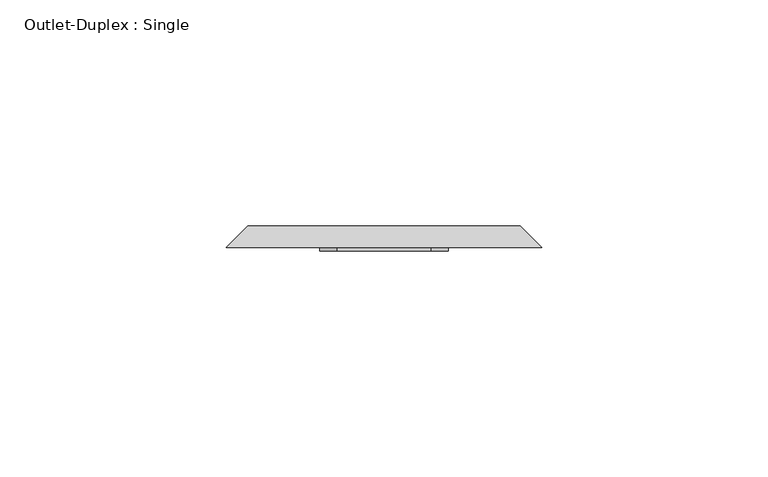
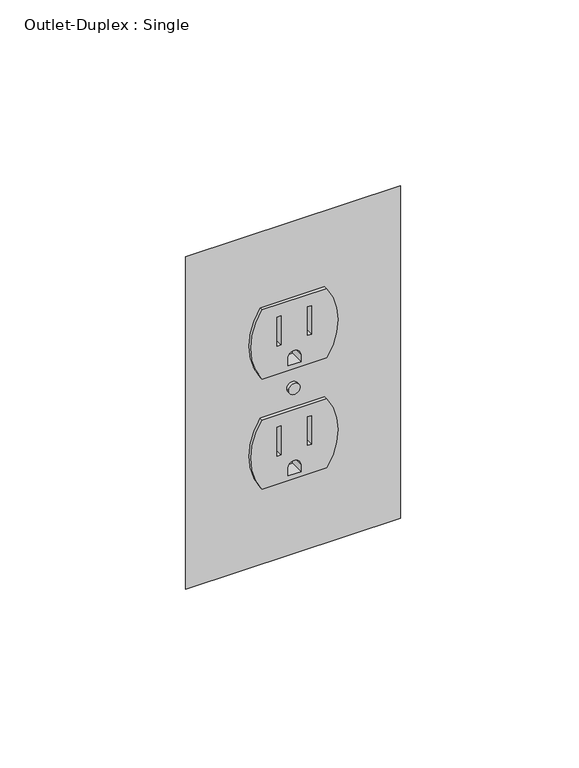
"""IFC4 building model written with IfcOpenShell, lengths in millimetres: proxy geometry, Outlet-Duplex : Single."""

from ifc_helpers import new_model, si_unit, point, frame, frame_2d, origin, place, context, project, spatial, polyline, circle_curve, trimmed, segment, composite_curve, outline, extrude, source, transform, mapped, element, save
from ifc_brep_helpers import plane_surface, revolved_surface, advanced_brep


def outlet_duplex_single_28bb0d87(model_context):
    return source(origin(), model_context, "Body", "SolidModel", [
        extrude(outline(composite_curve([segment(polyline([(273.9614857, -10.4931617), (273.9614857, 10.4931617)]), True, "CONTINUOUS"), segment(trimmed(circle_curve(frame_2d((285.8677357, -6.8576098)), 21.043005), [point((273.9614857, 10.4931617))], [point((297.7739857, 10.4931617))], False, "CARTESIAN"), True, "CONTINUOUS"), segment(polyline([(297.7739857, 10.4931617), (297.7739857, -10.4931617)]), True, "CONTINUOUS"), segment(trimmed(circle_curve(frame_2d((285.8677357, 6.8576098)), 21.043005), [point((297.7739857, -10.4931617))], [point((273.9614857, -10.4931617))], False, "CARTESIAN"), True, "CONTINUOUS")], self_intersect=False), holes=[polyline([(283.8450983, 5.6261139), (283.8450983, 4.3502847), (293.6358342, 4.3502847), (293.6358342, 5.6261139), (283.8450983, 5.6261139)]), polyline([(283.6466608, -5.6261139), (293.6358342, -5.6261139), (293.6358342, -4.3502847), (283.6466608, -4.3502847), (283.6466608, -5.6261139)]), composite_curve([segment(polyline([(275.5679027, 2.0747584), (275.5679027, -2.0747584), (278.0820784, -2.0747584)]), True, "CONTINUOUS"), segment(trimmed(circle_curve(frame_2d((278.0820784, 0.0)), 2.0747584), [point((278.0820784, -2.0747584))], [point((278.0820784, 2.0747584))], True, "CARTESIAN"), True, "CONTINUOUS"), segment(polyline([(278.0820784, 2.0747584), (275.5679027, 2.0747584)]), True, "CONTINUOUS")], self_intersect=False)]), frame((0.0, 48.4143591, 0.0), z_axis=(0.0, 1.0, 0.0), x_axis=(0.0, 0.0, 1.0)), (0.0, 0.0, 1.0), 4.7441942),
        extrude(outline(composite_curve([segment(trimmed(circle_curve(frame_2d((323.7322643, 6.8576098)), 21.043005), [point((335.6385143, -10.4931617))], [point((311.8260143, -10.4931617))], False, "CARTESIAN"), True, "CONTINUOUS"), segment(polyline([(311.8260143, -10.4931617), (311.8260143, 10.4931617)]), True, "CONTINUOUS"), segment(trimmed(circle_curve(frame_2d((323.7322643, -6.8576098)), 21.043005), [point((311.8260143, 10.4931617))], [point((335.6385143, 10.4931617))], False, "CARTESIAN"), True, "CONTINUOUS"), segment(polyline([(335.6385143, 10.4931617), (335.6385143, -10.4931617)]), True, "CONTINUOUS")], self_intersect=False), holes=[polyline([(321.709627, 5.6261139), (321.709627, 4.3502847), (331.5003629, 4.3502847), (331.5003629, 5.6261139), (321.709627, 5.6261139)]), polyline([(321.5111895, -5.6261139), (331.5003629, -5.6261139), (331.5003629, -4.3502847), (321.5111895, -4.3502847), (321.5111895, -5.6261139)]), composite_curve([segment(polyline([(313.4324314, 2.0747584), (313.4324314, -2.0747584), (315.9466071, -2.0747584)]), True, "CONTINUOUS"), segment(trimmed(circle_curve(frame_2d((315.9466071, 0.0)), 2.0747584), [point((315.9466071, -2.0747584))], [point((315.9466071, 2.0747584))], True, "CARTESIAN"), True, "CONTINUOUS"), segment(polyline([(315.9466071, 2.0747584), (313.4324314, 2.0747584)]), True, "CONTINUOUS")], self_intersect=False)]), frame((0.0, 48.4143591, 0.0), z_axis=(0.0, 1.0, 0.0), x_axis=(0.0, 0.0, 1.0)), (0.0, 0.0, 1.0), 4.7441942),
        extrude(outline(composite_curve([segment(trimmed(circle_curve(frame_2d((304.8, 0.0)), 1.8474562), [point((304.8, -1.8474562))], [point((304.8, 1.8474562))], False, "CARTESIAN"), True, "CONTINUOUS"), segment(trimmed(circle_curve(frame_2d((304.8, 0.0)), 1.8474562), [point((304.8, 1.8474562))], [point((304.8, -1.8474562))], False, "CARTESIAN"), True, "CONTINUOUS")], self_intersect=False)), frame((0.0, 48.4143591, 0.0), z_axis=(0.0, 1.0, 0.0), x_axis=(0.0, 0.0, 1.0)), (0.0, 0.0, 1.0), 4.7441942),
        advanced_brep(
        [(-30.1625, 53.975, 357.1875), (30.1625, 53.975, 357.1875), (30.1625, 53.975, 252.4125), (-30.1625, 53.975, 252.4125), (10.4931617, 53.975, 311.8260143), (10.4931617, 53.975, 335.6385143), (-10.4931617, 53.975, 335.6385143), (-10.4931617, 53.975, 311.8260143), (-10.4931617, 53.975, 297.7739857), (-10.4931617, 53.975, 273.9614857), (10.4931617, 53.975, 273.9614857), (10.4931617, 53.975, 297.7739857), (1.8474562, 53.975, 304.8), (-1.8474562, 53.975, 304.8), (-34.925, 49.2125, 361.95), (-34.925, 49.2125, 247.65), (34.925, 49.2125, 247.65), (34.925, 49.2125, 361.95), (10.4931617, 49.2125, 335.6385143), (10.4931617, 49.2125, 311.8260143), (-10.4931617, 49.2125, 311.8260143), (-10.4931617, 49.2125, 335.6385143), (-10.4931617, 49.2125, 273.9614857), (-10.4931617, 49.2125, 297.7739857), (10.4931617, 49.2125, 297.7739857), (10.4931617, 49.2125, 273.9614857), (-1.8474562, 49.2125, 304.8), (1.8474562, 49.2125, 304.8)],
        [
            (0, 1),
            (1, 2),
            (2, 3),
            (3, 0),
            (4, 5, circle_curve(frame((-6.8576098, 53.975, 323.7322643), z_axis=(0.0, -1.0, 0.0), x_axis=(1.0, 0.0, 0.0)), 21.043005)),
            (5, 6),
            (6, 7, circle_curve(frame((6.8576098, 53.975, 323.7322643), z_axis=(0.0, -1.0, 0.0), x_axis=(1.0, 0.0, 0.0)), 21.043005)),
            (7, 4),
            (8, 9, circle_curve(frame((6.8576098, 53.975, 285.8677357), z_axis=(0.0, -1.0, 0.0), x_axis=(1.0, 0.0, 0.0)), 21.043005)),
            (9, 10),
            (10, 11, circle_curve(frame((-6.8576098, 53.975, 285.8677357), z_axis=(0.0, -1.0, 0.0), x_axis=(1.0, 0.0, 0.0)), 21.043005)),
            (11, 8),
            (12, 13, circle_curve(frame((0.0, 53.975, 304.8), z_axis=(0.0, -1.0, 0.0), x_axis=(1.0, 0.0, 0.0)), 1.8474562)),
            (13, 12, circle_curve(frame((0.0, 53.975, 304.8), z_axis=(0.0, -1.0, 0.0), x_axis=(1.0, 0.0, 0.0)), 1.8474562)),
            (14, 15),
            (15, 16),
            (16, 17),
            (17, 14),
            (18, 19, circle_curve(frame((-6.8576098, 49.2125, 323.7322643), z_axis=(0.0, 1.0, 0.0), x_axis=(1.0, 0.0, 0.0)), 21.043005)),
            (19, 20),
            (20, 21, circle_curve(frame((6.8576098, 49.2125, 323.7322643), z_axis=(0.0, 1.0, 0.0), x_axis=(1.0, 0.0, 0.0)), 21.043005)),
            (21, 18),
            (22, 23, circle_curve(frame((6.8576098, 49.2125, 285.8677357), z_axis=(0.0, 1.0, 0.0), x_axis=(1.0, 0.0, 0.0)), 21.043005)),
            (23, 24),
            (24, 25, circle_curve(frame((-6.8576098, 49.2125, 285.8677357), z_axis=(0.0, 1.0, 0.0), x_axis=(1.0, 0.0, 0.0)), 21.043005)),
            (25, 22),
            (26, 27, circle_curve(frame((0.0, 49.2125, 304.8), z_axis=(0.0, 1.0, 0.0), x_axis=(1.0, 0.0, 0.0)), 1.8474562)),
            (27, 26, circle_curve(frame((0.0, 49.2125, 304.8), z_axis=(0.0, 1.0, 0.0), x_axis=(1.0, 0.0, 0.0)), 1.8474562)),
            (0, 14),
            (17, 1),
            (16, 2),
            (15, 3),
            (4, 19),
            (18, 5),
            (21, 6),
            (20, 7),
            (8, 23),
            (22, 9),
            (25, 10),
            (24, 11),
            (12, 27),
            (26, 13),
        ],
        [
            plane_surface(frame((0.0, 53.975, 304.8), z_axis=(0.0, 1.0, 0.0), x_axis=(0.0, 0.0, -1.0))),
            plane_surface(frame((0.0, 49.2125, 304.8), z_axis=(0.0, -1.0, 0.0), x_axis=(0.0, 0.0, -1.0))),
            plane_surface(frame((0.0, 49.2125, 361.95), z_axis=(0.0, 0.7071067811867159, 0.7071067811863793), x_axis=(1.0, 0.0, 0.0))),
            plane_surface(frame((34.925, 49.2125, 304.8), z_axis=(0.7071067811863626, 0.7071067811867324, 0.0), x_axis=(0.0, 0.0, -1.0))),
            plane_surface(frame((0.0, 49.2125, 247.65), z_axis=(0.0, 0.7071067811867585, -0.7071067811863365), x_axis=(-1.0, 0.0, 0.0))),
            plane_surface(frame((-34.925, 49.2125, 304.8), z_axis=(-0.7071067811862254, 0.7071067811868696, 0.0), x_axis=(0.0, 0.0, 1.0))),
            revolved_surface(polyline([(14.185395200000002, 49.2125, 323.7322643), (14.185395200000002, 53.975, 323.7322643)]), (-6.8576098, 99.996807, 323.7322643), (0.0, -1.0, 0.0)),
            plane_surface(frame((10.4931617, -250.825, 335.6385143), z_axis=(0.0, 0.0, -1.0), x_axis=(0.0, 1.0, 0.0))),
            revolved_surface(polyline([(27.9006148, 49.2125, 323.7322643), (27.9006148, 53.975, 323.7322643)]), (6.8576098, 99.996807, 323.7322643), (0.0, -1.0, 0.0)),
            plane_surface(frame((-10.4931617, -250.825, 311.8260143), z_axis=(0.0, 0.0, 1.0), x_axis=(0.0, 1.0, 0.0))),
            revolved_surface(polyline([(27.9006148, 49.2125, 285.8677357), (27.9006148, 53.975, 285.8677357)]), (6.8576098, 53.975, 285.8677357), (0.0, -1.0, 0.0)),
            plane_surface(frame((-10.4931617, -250.825, 273.9614857), z_axis=(0.0, 0.0, 1.0), x_axis=(0.0, 1.0, 0.0))),
            revolved_surface(polyline([(14.185395200000002, 49.2125, 285.8677357), (14.185395200000002, 53.975, 285.8677357)]), (-6.8576098, 53.975, 285.8677357), (0.0, -1.0, 0.0)),
            plane_surface(frame((10.4931617, -250.825, 297.7739857), z_axis=(0.0, 0.0, -1.0), x_axis=(0.0, 1.0, 0.0))),
            revolved_surface(polyline([(1.8474562, 49.2125, 304.8), (1.8474562, 53.975, 304.8)]), (0.0, 53.975, 304.8), (0.0, -1.0, 0.0)),
        ],
        [
            (0, [[1, 2, 3, 4], [5, 6, 7, 8], [9, 10, 11, 12], [13, 14]]),
            (1, [[15, 16, 17, 18], [19, 20, 21, 22], [23, 24, 25, 26], [27, 28]]),
            (2, [[-1, 29, -18, 30]]),
            (3, [[-2, -30, -17, 31]]),
            (4, [[-3, -31, -16, 32]]),
            (5, [[-4, -32, -15, -29]]),
            (6, [[33, -19, 34, -5]]),
            (7, [[-34, -22, 35, -6]]),
            (8, [[-35, -21, 36, -7]]),
            (9, [[-33, -8, -36, -20]]),
            (10, [[37, -23, 38, -9]]),
            (11, [[-38, -26, 39, -10]]),
            (12, [[-39, -25, 40, -11]]),
            (13, [[-37, -12, -40, -24]]),
            (14, [[41, -27, 42, -13]]),
            (14, [[-41, -14, -42, -28]]),
        ],
    ),
    ])


if __name__ == "__main__":
    model = new_model("IFC4")
    model_context = context("Model", 3, world=origin())
    ifc_project = project(units=[si_unit("LENGTHUNIT", "METRE", prefix="MILLI")], contexts=[model_context])
    site = spatial("IfcSite", under=ifc_project)
    building = spatial("IfcBuilding", under=site)
    placement = place(None, origin())
    outlet_duplex_single_shape = outlet_duplex_single_28bb0d87(model_context)
    element("IfcBuildingElementProxy", 1, Name="Outlet-Duplex : Single", ObjectType="Outlet-Duplex : Single", at=placement, inside=building, context=model_context, shape_type="MappedRepresentation", body=[
        mapped(outlet_duplex_single_shape, transform((0.0, 0.0, 0.0), x_axis=(1.0, 0.0, 0.0), y_axis=(0.0, 1.0, 0.0), z_axis=(0.0, 0.0, 1.0))),
    ])
    save(model, "model.ifc")
